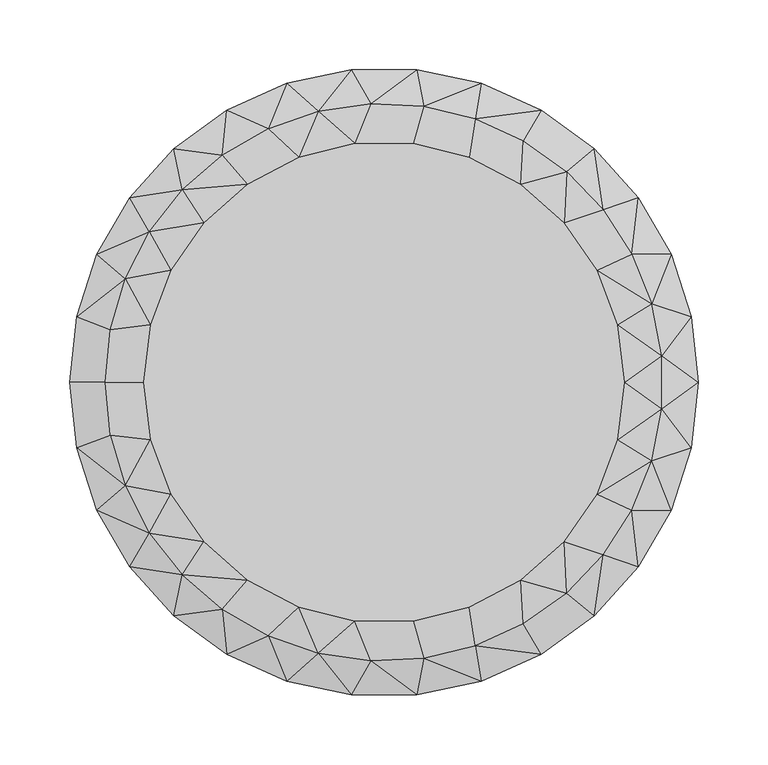
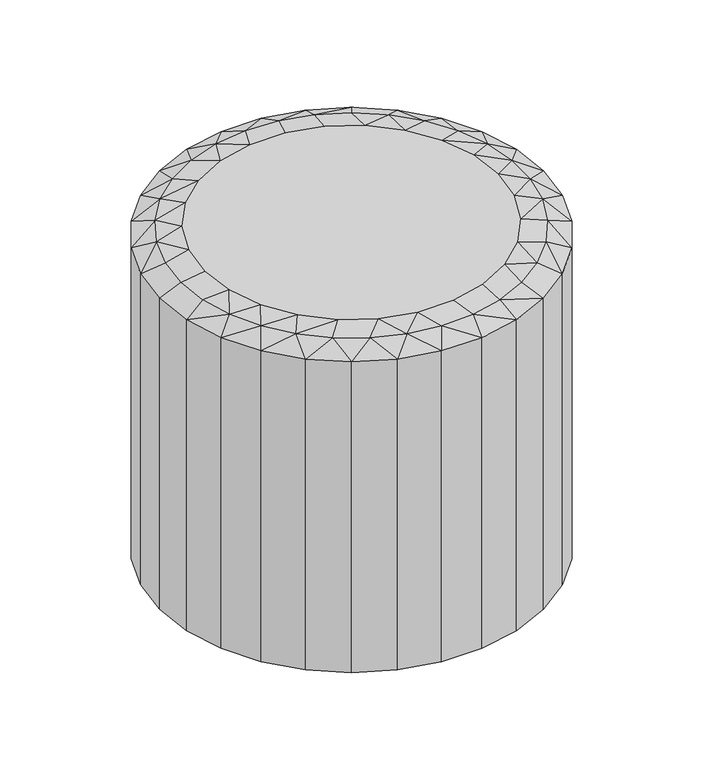
"""IFC4 building model written with IfcOpenShell, lengths in millimetres: furniture geometry."""

from ifc_helpers import new_model, si_unit, origin, place, context, project, spatial, triangles, source, transform, mapped, element, save


def furniture_a06a1545(model_context):
    return source(origin(), model_context, "Body", "Tessellation", [
        triangles([(220.0827692, -46.7800343, -3.7e-06), (-220.0827692, -46.7800343, -3.7e-06), (224.9995475, 0.0, -3.7e-06), (-224.9995475, 0.0, -3.7e-06), (220.0827692, 46.7800343, -3.7e-06), (-220.0827692, 46.7800343, -3.7e-06), (205.5473192, 91.5155622, -3.7e-06), (-205.5473192, 91.5155622, -3.7e-06), (182.0284604, 132.2514115, -3.7e-06), (-182.0284604, 132.2514115, -3.7e-06), (150.5540825, 167.2072539, -3.7e-06), (-150.5540825, 167.2072539, -3.7e-06), (112.4997738, 194.8553301, -3.7e-06), (-112.4997738, 194.8553301, -3.7e-06), (69.5286821, 213.9872837, -3.7e-06), (-69.5286821, 213.9872837, -3.7e-06), (23.5188565, 223.7669919, -3.7e-06), (-23.5188565, 223.7669919, -3.7e-06), (-205.5473192, -91.5155622, -3.7e-06), (205.5473192, -91.5155622, -3.7e-06), (-182.0284604, -132.2514115, -3.7e-06), (182.0284604, -132.2514115, -3.7e-06), (-150.5540825, -167.2072539, -3.7e-06), (150.5540825, -167.2072539, -3.7e-06), (-112.4997738, -194.8553301, -3.7e-06), (112.4997738, -194.8553301, -3.7e-06), (-69.5286821, -213.9872837, -3.7e-06), (69.5286821, -213.9872837, -3.7e-06), (-23.5188565, -223.7669919, -3.7e-06), (23.5188565, -223.7669919, -3.7e-06), (220.0827692, 46.7800343, 384.9992472), (224.9995475, 0.0, 384.9992472), (220.0827692, -46.7800343, 384.9992472), (205.5473192, -91.5155622, 384.9992472), (182.0284604, -132.2514115, 384.9992472), (150.5540825, -167.2072539, 384.9992472), (112.4997738, -194.8553301, 384.9992472), (69.5286821, -213.9872837, 384.9992472), (23.5188565, -223.7669919, 384.9992472), (-23.5188565, -223.7669919, 384.9992472), (-69.5286821, -213.9872837, 384.9992472), (-112.4997738, -194.8553301, 384.9992472), (-150.5540825, -167.2072539, 384.9992472), (-182.0284604, -132.2514115, 384.9992472), (-205.5473192, -91.5155622, 384.9992472), (-220.0827692, -46.7800343, 384.9992472), (-224.9995475, 0.0, 384.9992472), (-220.0827692, 46.7800343, 384.9992472), (-205.5473192, 91.5155622, 384.9992472), (-182.0284604, 132.2514115, 384.9992472), (-150.5540825, 167.2072539, 384.9992472), (-112.4997738, 194.8553301, 384.9992472), (-69.5286821, 213.9872837, 384.9992472), (-23.5188565, 223.7669919, 384.9992472), (23.5188565, 223.7669919, 384.9992472), (69.5286821, 213.9872837, 384.9992472), (112.4997738, 194.8553301, 384.9992472), (150.5540825, 167.2072539, 384.9992472), (182.0284604, 132.2514115, 384.9992472), (205.5473192, 91.5155622, 384.9992472), (-167.3140424, 41.239207, 399.9992037), (-196.0984773, 37.794886, 396.1761449), (-172.3213858, 0.0, 399.9992037), (-199.7074503, 0.0, 396.1761449), (-196.0984773, -37.794886, 396.1761449), (-185.4020009, 74.2237625, 396.1761449), (-152.5830012, 80.0817398, 399.9992037), (-168.0046071, 107.9700085, 396.1761449), (-128.9844144, 114.2702144, 399.9992037), (-144.5350822, 137.8139263, 396.1761449), (-97.8897099, 141.8177244, 399.9992037), (-115.8416937, 162.6768981, 396.1761449), (-82.9614786, 181.6602961, 396.1761449), (-47.0828183, 194.0780156, 396.1761449), (-9.5024632, 199.481265, 396.1761449), (28.4213371, 197.6747256, 396.1761449), (65.3179108, 188.7237094, 396.1761449), (99.8537252, 172.9517434, 396.1761449), (130.7805711, 150.9288325, 396.1761449), (97.8897099, 141.8177244, 399.9992037), (128.9844144, 114.2702144, 399.9992037), (-61.1060085, 161.1232866, 399.9992037), (-20.7710477, 171.0649763, 399.9992037), (20.7710477, 171.0649763, 399.9992037), (61.1060085, 161.1232866, 399.9992037), (156.9806615, 123.4509585, 396.1761449), (152.5830012, 80.0817398, 399.9992037), (177.5070612, 91.5112566, 396.1761449), (191.6179005, 56.2640939, 396.1761449), (198.8031632, 18.9834014, 396.1761449), (198.8031632, -18.9834014, 396.1761449), (191.6179005, -56.2640939, 396.1761449), (177.5070612, -91.5112566, 396.1761449), (156.9806615, -123.4509585, 396.1761449), (130.7805711, -150.9288325, 396.1761449), (99.8537252, -172.9517434, 396.1761449), (65.3179108, -188.7237094, 396.1761449), (61.1060085, -161.1232866, 399.9992037), (20.7710477, -171.0649763, 399.9992037), (167.3140424, 41.239207, 399.9992037), (172.3213858, 0.0, 399.9992037), (167.3140424, -41.239207, 399.9992037), (152.5830012, -80.0817398, 399.9992037), (128.9844144, -114.2702144, 399.9992037), (97.8897099, -141.8177244, 399.9992037), (-20.7710477, -171.0649763, 399.9992037), (-9.5024632, -199.481265, 396.1761449), (28.4213371, -197.6747256, 396.1761449), (-47.0828183, -194.0780156, 396.1761449), (-61.1060085, -161.1232866, 399.9992037), (-82.9614786, -181.6602961, 396.1761449), (-97.8897099, -141.8177244, 399.9992037), (-115.8416937, -162.6768981, 396.1761449), (-144.5350822, -137.8139263, 396.1761449), (-168.0046071, -107.9700085, 396.1761449), (-185.4020009, -74.2237625, 396.1761449), (-128.9844144, -114.2702144, 399.9992037), (-152.5830012, -80.0817398, 399.9992037), (-167.3140424, -41.239207, 399.9992037)], [[1, 2, 3], [3, 2, 4], [3, 4, 5], [5, 4, 6], [5, 6, 7], [7, 6, 8], [7, 8, 9], [9, 8, 10], [9, 10, 11], [11, 10, 12], [11, 12, 13], [13, 12, 14], [13, 14, 15], [15, 14, 16], [15, 16, 17], [17, 16, 18], [2, 1, 19], [19, 1, 20], [19, 20, 21], [21, 20, 22], [21, 22, 23], [23, 22, 24], [23, 24, 25], [25, 24, 26], [25, 26, 27], [27, 26, 28], [27, 28, 29], [29, 28, 30], [5, 31, 3], [3, 31, 32], [3, 32, 1], [1, 32, 33], [1, 33, 20], [20, 33, 34], [20, 34, 22], [22, 34, 35], [22, 35, 24], [24, 35, 36], [24, 36, 26], [26, 36, 37], [26, 37, 28], [28, 37, 38], [28, 38, 30], [30, 38, 39], [30, 39, 29], [29, 39, 40], [29, 40, 27], [27, 40, 41], [27, 41, 25], [25, 41, 42], [25, 42, 23], [23, 42, 43], [23, 43, 21], [21, 43, 44], [21, 44, 19], [19, 44, 45], [19, 45, 2], [2, 45, 46], [2, 46, 4], [4, 46, 47], [4, 47, 6], [6, 47, 48], [6, 48, 8], [8, 48, 49], [8, 49, 10], [10, 49, 50], [10, 50, 12], [12, 50, 51], [12, 51, 14], [14, 51, 52], [14, 52, 16], [16, 52, 53], [16, 53, 18], [18, 53, 54], [18, 54, 17], [17, 54, 55], [17, 55, 15], [15, 55, 56], [15, 56, 13], [13, 56, 57], [13, 57, 11], [11, 57, 58], [11, 58, 9], [9, 58, 59], [9, 59, 7], [7, 59, 60], [7, 60, 5], [5, 60, 31], [61, 62, 63], [63, 62, 64], [63, 64, 65], [65, 64, 47], [65, 47, 46], [62, 61, 66], [66, 61, 67], [66, 67, 68], [68, 67, 69], [68, 69, 70], [70, 69, 71], [70, 71, 72], [72, 71, 73], [72, 73, 52], [52, 73, 53], [53, 73, 74], [53, 74, 54], [54, 74, 75], [54, 75, 55], [55, 75, 76], [55, 76, 56], [56, 76, 77], [56, 77, 57], [57, 77, 78], [57, 78, 79], [79, 78, 80], [79, 80, 81], [71, 82, 73], [73, 82, 74], [82, 83, 74], [74, 83, 75], [83, 84, 75], [75, 84, 76], [76, 84, 77], [77, 84, 85], [77, 85, 78], [78, 85, 80], [79, 81, 86], [86, 81, 87], [86, 87, 88], [88, 87, 89], [88, 89, 60], [60, 89, 31], [31, 89, 90], [31, 90, 32], [32, 90, 91], [32, 91, 33], [33, 91, 92], [33, 92, 34], [34, 92, 93], [34, 93, 35], [35, 93, 94], [35, 94, 36], [36, 94, 95], [36, 95, 37], [37, 95, 96], [37, 96, 97], [97, 96, 98], [97, 98, 99], [87, 100, 89], [89, 100, 90], [100, 101, 90], [90, 101, 91], [101, 102, 91], [91, 102, 92], [102, 103, 92], [92, 103, 93], [93, 103, 94], [94, 103, 104], [94, 104, 95], [95, 104, 105], [95, 105, 96], [96, 105, 98], [106, 107, 99], [99, 107, 108], [99, 108, 97], [97, 108, 38], [97, 38, 37], [107, 106, 109], [109, 106, 110], [109, 110, 111], [111, 110, 112], [111, 112, 113], [113, 112, 114], [113, 114, 43], [43, 114, 44], [44, 114, 115], [44, 115, 45], [45, 115, 116], [45, 116, 46], [46, 116, 65], [112, 117, 114], [114, 117, 115], [117, 118, 115], [115, 118, 116], [118, 119, 116], [116, 119, 65], [119, 63, 65], [60, 59, 88], [88, 59, 86], [59, 58, 86], [86, 58, 79], [58, 57, 79], [52, 51, 72], [72, 51, 70], [51, 50, 70], [70, 50, 68], [50, 49, 68], [68, 49, 66], [49, 48, 66], [66, 48, 62], [48, 47, 62], [62, 47, 64], [43, 42, 113], [113, 42, 111], [42, 41, 111], [111, 41, 109], [41, 40, 109], [109, 40, 107], [40, 39, 107], [107, 39, 108], [39, 38, 108], [119, 102, 63], [63, 102, 101], [63, 101, 61], [61, 101, 100], [61, 100, 67], [67, 100, 87], [67, 87, 69], [69, 87, 81], [69, 81, 71], [71, 81, 80], [71, 80, 82], [82, 80, 85], [82, 85, 83], [83, 85, 84], [102, 119, 103], [103, 119, 118], [103, 118, 104], [104, 118, 117], [104, 117, 105], [105, 117, 112], [105, 112, 98], [98, 112, 110], [98, 110, 99], [99, 110, 106]]),
    ])


if __name__ == "__main__":
    model = new_model("IFC4")
    model_context = context("Model", 3, world=origin())
    ifc_project = project(units=[si_unit("LENGTHUNIT", "METRE", prefix="MILLI")], contexts=[model_context])
    site = spatial("IfcSite", under=ifc_project)
    building = spatial("IfcBuilding", under=site)
    placement = place(None, origin())
    furniture_shape = furniture_a06a1545(model_context)
    element("IfcFurniture", 1, at=placement, inside=building, context=model_context, shape_type="MappedRepresentation", body=[
        mapped(furniture_shape, transform((0.0, 0.0, 0.0), x_axis=(1.0, 0.0, 0.0), y_axis=(0.0, 1.0, 0.0), z_axis=(0.0, 0.0, 1.0))),
    ])
    save(model, "model.ifc")
